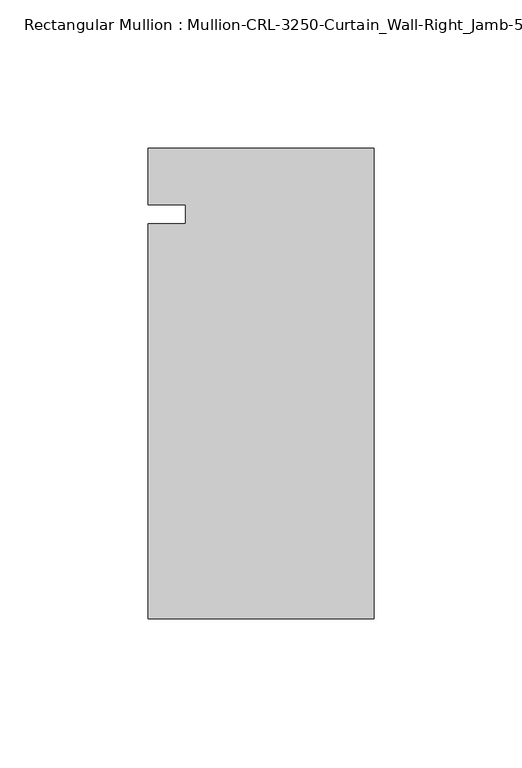
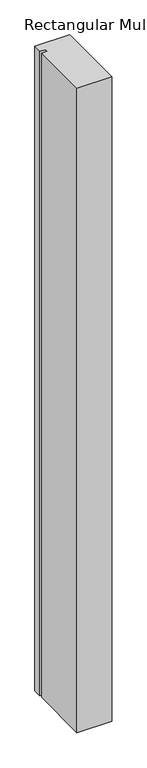
"""IFC4 building model written with IfcOpenShell, lengths in millimetres: member geometry."""

from ifc_helpers import new_model, si_unit, frame, origin, place, context, project, spatial, polyline, outline, extrude, source, transform, mapped, element, save


def member_6548b033(model_context):
    return source(origin(), model_context, "Body", "SweptSolid", [
        extrude(outline(polyline([(0.0, 22.2254168), (0.0, -136.5240673), (-76.199997, -136.5240673), (-76.199997, -3.175), (-63.499997, -3.175), (-63.499997, 3.175), (-76.199997, 3.175), (-76.199997, 22.2254168), (0.0, 22.2254168)])), frame((0.0, 0.0, -1485.9), z_axis=(0.0, 0.0, 1.0), x_axis=(1.0, 0.0, 0.0)), (0.0, 0.0, 1.0), 1485.9),
    ])


if __name__ == "__main__":
    model = new_model("IFC4")
    model_context = context("Model", 3, world=origin())
    ifc_project = project(units=[si_unit("LENGTHUNIT", "METRE", prefix="MILLI")], contexts=[model_context])
    site = spatial("IfcSite", under=ifc_project)
    building = spatial("IfcBuilding", under=site)
    placement = place(None, origin())
    member_shape = member_6548b033(model_context)
    element("IfcMember", 1, ObjectType="Rectangular Mullion : Mullion-CRL-3250-Curtain_Wall-Right_Jamb-5\"", at=placement, inside=building, context=model_context, shape_type="MappedRepresentation", body=[
        mapped(member_shape, transform((0.0, 0.0, 0.0), x_axis=(1.0, 0.0, 0.0), y_axis=(0.0, 1.0, 0.0), z_axis=(0.0, 0.0, 1.0))),
    ])
    save(model, "model.ifc")
